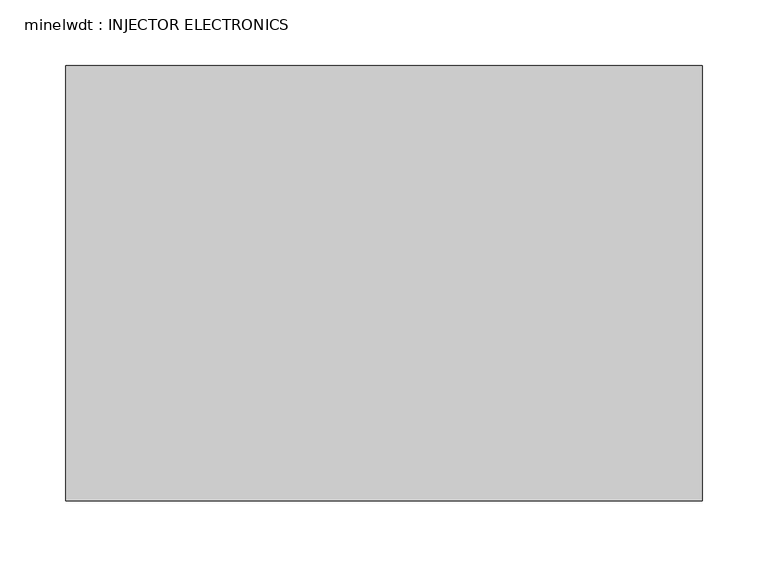
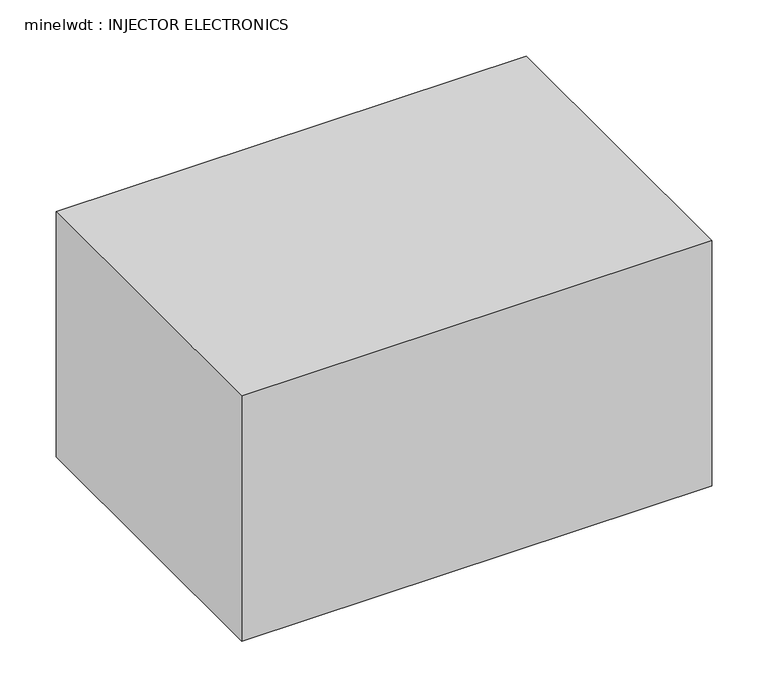
"""IFC4 building model written with IfcOpenShell, lengths in millimetres: proxy geometry, minelwdt : INJECTOR ELECTRONICS."""

from ifc_helpers import new_model, si_unit, frame, origin, place, context, project, spatial, polyline, outline, extrude, source, transform, mapped, element, save


def minelwdt_injector_electronics_b0b97d3e(model_context):
    return source(origin(), model_context, "Body", "SweptSolid", [
        extrude(outline(polyline([(454.4545638, 77.3329439), (454.4545638, -252.8670561), (-28.1454362, -252.8670561), (-28.1454362, 77.3329439), (454.4545638, 77.3329439)])), frame((0.0, 0.0, 1866.9), z_axis=(0.0, 0.0, 1.0), x_axis=(1.0, 0.0, 0.0)), (0.0, 0.0, 1.0), 266.7),
    ])


if __name__ == "__main__":
    model = new_model("IFC4")
    model_context = context("Model", 3, world=origin())
    ifc_project = project(units=[si_unit("LENGTHUNIT", "METRE", prefix="MILLI")], contexts=[model_context])
    site = spatial("IfcSite", under=ifc_project)
    building = spatial("IfcBuilding", under=site)
    placement = place(None, origin())
    minelwdt_injector_electronics_shape = minelwdt_injector_electronics_b0b97d3e(model_context)
    element("IfcBuildingElementProxy", 1, Name="minelwdt : INJECTOR ELECTRONICS", ObjectType="minelwdt : INJECTOR ELECTRONICS", at=placement, inside=building, context=model_context, shape_type="MappedRepresentation", body=[
        mapped(minelwdt_injector_electronics_shape, transform((0.0, 0.0, 0.0), x_axis=(1.0, 0.0, 0.0), y_axis=(0.0, 1.0, 0.0), z_axis=(0.0, 0.0, 1.0))),
    ])
    save(model, "model.ifc")
